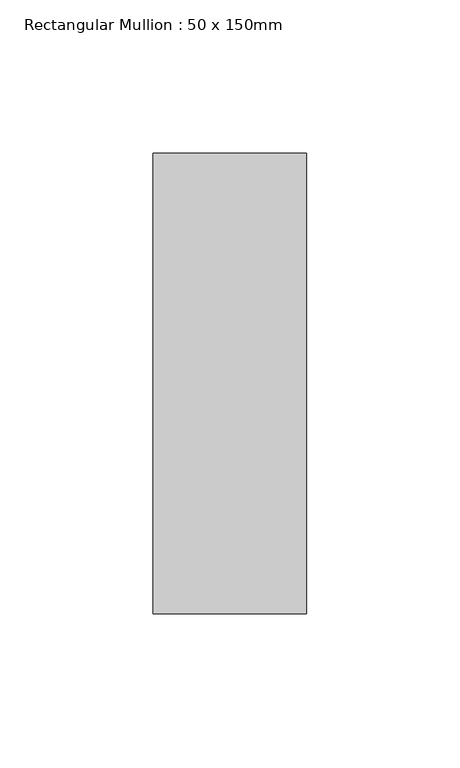
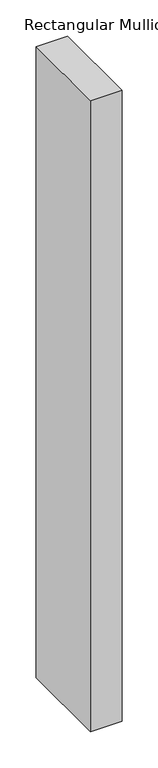
"""IFC4 building model written with IfcOpenShell, lengths in millimetres: member geometry, Rectangular Mullion : 50 x 150mm."""

from ifc_helpers import new_model, si_unit, frame, origin, place, context, project, spatial, polyline, outline, extrude, source, transform, mapped, element, save


def rectangular_mullion_50_x_150mm_50095620(model_context):
    return source(origin(), model_context, "Body", "SweptSolid", [
        extrude(outline(polyline([(0.0, 75.0), (0.0, -75.0), (-50.0, -75.0), (-50.0, 75.0), (0.0, 75.0)])), frame((0.0, 0.0, -1062.1494736), z_axis=(0.0, 0.0, 1.0), x_axis=(1.0, 0.0, 0.0)), (0.0, 0.0, 1.0), 1062.1494736),
    ])


if __name__ == "__main__":
    model = new_model("IFC4")
    model_context = context("Model", 3, world=origin())
    ifc_project = project(units=[si_unit("LENGTHUNIT", "METRE", prefix="MILLI")], contexts=[model_context])
    site = spatial("IfcSite", under=ifc_project)
    building = spatial("IfcBuilding", under=site)
    placement = place(None, origin())
    rectangular_mullion_50_x_150mm_shape = rectangular_mullion_50_x_150mm_50095620(model_context)
    element("IfcMember", 1, ObjectType="Rectangular Mullion : 50 x 150mm", at=placement, inside=building, context=model_context, shape_type="MappedRepresentation", body=[
        mapped(rectangular_mullion_50_x_150mm_shape, transform((0.0, 0.0, 0.0), x_axis=(1.0, 0.0, 0.0), y_axis=(0.0, 1.0, 0.0), z_axis=(0.0, 0.0, 1.0))),
    ])
    save(model, "model.ifc")
